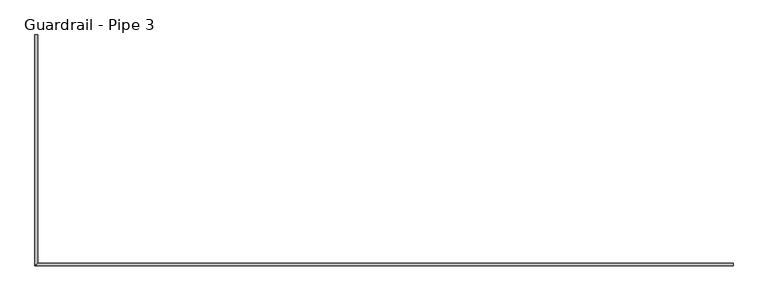
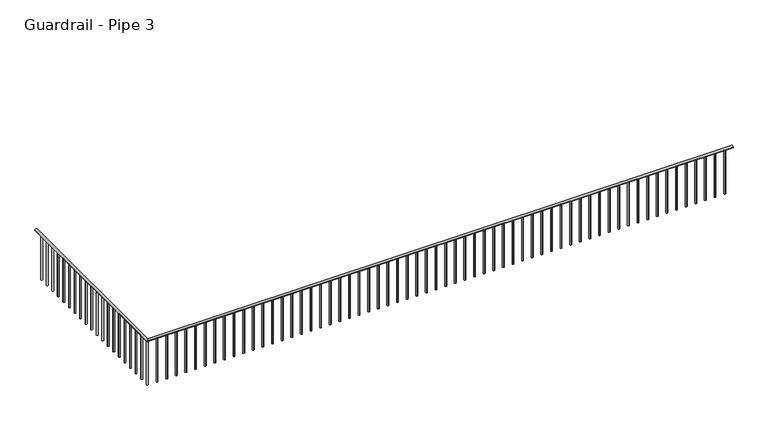
"""IFC4 building model written with IfcOpenShell, lengths in millimetres: railing geometry, Guardrail - Pipe 3."""

from ifc_helpers import new_model, si_unit, point, frame, frame_2d, origin, place, context, project, spatial, circle_curve, ellipse_curve, trimmed, segment, composite_curve, outline, extrude, source, transform, mapped, element, save
from ifc_brep_helpers import plane_surface, cylinder_surface, advanced_brep


def guardrail_pipe_3_85396fff(model_context):
    return source(origin(), model_context, "Body", "SolidModel", [
        advanced_brep(
        [(238718.223562, -501177.7127525, 5010.15), (238680.123562, -501177.7127525, 5010.15), (238718.223562, -504213.0127525, 5010.15), (238680.123562, -504251.1127525, 5010.15), (247966.998562, -504213.0127525, 5010.15), (247966.998562, -504251.1127525, 5010.15)],
        [
            (0, 1, circle_curve(frame((238699.173562, -501177.7127525, 5010.15), z_axis=(0.0, 1.0, 0.0), x_axis=(-1.0, 0.0, 0.0)), 19.05)),
            (1, 0, circle_curve(frame((238699.173562, -501177.7127525, 5010.15), z_axis=(0.0, 1.0, 0.0), x_axis=(-1.0, 0.0, 0.0)), 19.05)),
            (0, 2),
            (2, 3, ellipse_curve(frame((238699.173562, -504232.0627525, 5010.15), z_axis=(-0.7071067811865475, 0.7071067811865475, 0.0), x_axis=(0.7071067811865474, 0.7071067811865476, 0.0)), 26.9407684, 19.05)),
            (3, 1),
            (3, 2, ellipse_curve(frame((238699.173562, -504232.0627525, 5010.15), z_axis=(-0.7071067811865475, 0.7071067811865475, 0.0), x_axis=(0.7071067811865474, 0.7071067811865476, 0.0)), 26.9407684, 19.05)),
            (4, 5, circle_curve(frame((247966.998562, -504232.0627525, 5010.15), z_axis=(1.0, 0.0, 0.0), x_axis=(0.0, -1.0, 0.0)), 19.05)),
            (5, 4, circle_curve(frame((247966.998562, -504232.0627525, 5010.15), z_axis=(1.0, 0.0, 0.0), x_axis=(0.0, -1.0, 0.0)), 19.05)),
            (2, 4),
            (5, 3),
        ],
        [
            plane_surface(frame((238699.173562, -501177.7127525, 5029.2), z_axis=(0.0, 1.0, 0.0), x_axis=(0.0, 0.0, -1.0))),
            cylinder_surface(frame((238699.173562, -501177.7127525, 5010.15), z_axis=(0.0, 1.0, 0.0), x_axis=(-1.0, 0.0, 0.0)), 19.05),
            plane_surface(frame((247966.998562, -504232.0627525, 5029.2), z_axis=(1.0, 0.0, 0.0), x_axis=(0.0, 1.0, 0.0))),
            cylinder_surface(frame((238699.173562, -504232.0627525, 5010.15), z_axis=(-1.0, 0.0, 0.0), x_axis=(0.0, -1.0, 0.0)), 19.05),
        ],
        [
            (0, [[1, 2]]),
            (1, [[-1, 3, 4, 5]]),
            (1, [[-2, -5, 6, -3]]),
            (2, [[7, 8]]),
            (3, [[-4, 9, -8, 10]]),
            (3, [[-6, -10, -7, -9]]),
        ],
    ),
        extrude(outline(composite_curve([segment(trimmed(circle_curve(frame_2d((247843.173562, -504232.0627525)), 12.7), [point((247843.173562, -504219.3627525))], [point((247843.173562, -504244.7627525))], False, "CARTESIAN"), True, "CONTINUOUS"), segment(trimmed(circle_curve(frame_2d((247843.173562, -504232.0627525)), 12.7), [point((247843.173562, -504244.7627525))], [point((247843.173562, -504219.3627525))], False, "CARTESIAN"), True, "CONTINUOUS")], self_intersect=False)), frame((0.0, 0.0, 4267.2), z_axis=(0.0, 0.0, 1.0), x_axis=(1.0, 0.0, 0.0)), (0.0, 0.0, 1.0), 723.9),
        extrude(outline(composite_curve([segment(trimmed(circle_curve(frame_2d((247690.773562, -504232.0627525)), 12.7), [point((247690.773562, -504219.3627525))], [point((247690.773562, -504244.7627525))], False, "CARTESIAN"), True, "CONTINUOUS"), segment(trimmed(circle_curve(frame_2d((247690.773562, -504232.0627525)), 12.7), [point((247690.773562, -504244.7627525))], [point((247690.773562, -504219.3627525))], False, "CARTESIAN"), True, "CONTINUOUS")], self_intersect=False)), frame((0.0, 0.0, 4267.2), z_axis=(0.0, 0.0, 1.0), x_axis=(1.0, 0.0, 0.0)), (0.0, 0.0, 1.0), 723.9),
        extrude(outline(composite_curve([segment(trimmed(circle_curve(frame_2d((247538.373562, -504232.0627525)), 12.7), [point((247538.373562, -504219.3627525))], [point((247538.373562, -504244.7627525))], False, "CARTESIAN"), True, "CONTINUOUS"), segment(trimmed(circle_curve(frame_2d((247538.373562, -504232.0627525)), 12.7), [point((247538.373562, -504244.7627525))], [point((247538.373562, -504219.3627525))], False, "CARTESIAN"), True, "CONTINUOUS")], self_intersect=False)), frame((0.0, 0.0, 4267.2), z_axis=(0.0, 0.0, 1.0), x_axis=(1.0, 0.0, 0.0)), (0.0, 0.0, 1.0), 723.9),
        extrude(outline(composite_curve([segment(trimmed(circle_curve(frame_2d((247385.973562, -504232.0627525)), 12.7), [point((247385.973562, -504219.3627525))], [point((247385.973562, -504244.7627525))], False, "CARTESIAN"), True, "CONTINUOUS"), segment(trimmed(circle_curve(frame_2d((247385.973562, -504232.0627525)), 12.7), [point((247385.973562, -504244.7627525))], [point((247385.973562, -504219.3627525))], False, "CARTESIAN"), True, "CONTINUOUS")], self_intersect=False)), frame((0.0, 0.0, 4267.2), z_axis=(0.0, 0.0, 1.0), x_axis=(1.0, 0.0, 0.0)), (0.0, 0.0, 1.0), 723.9),
        extrude(outline(composite_curve([segment(trimmed(circle_curve(frame_2d((247233.573562, -504232.0627525)), 12.7), [point((247233.573562, -504219.3627525))], [point((247233.573562, -504244.7627525))], False, "CARTESIAN"), True, "CONTINUOUS"), segment(trimmed(circle_curve(frame_2d((247233.573562, -504232.0627525)), 12.7), [point((247233.573562, -504244.7627525))], [point((247233.573562, -504219.3627525))], False, "CARTESIAN"), True, "CONTINUOUS")], self_intersect=False)), frame((0.0, 0.0, 4267.2), z_axis=(0.0, 0.0, 1.0), x_axis=(1.0, 0.0, 0.0)), (0.0, 0.0, 1.0), 723.9),
        extrude(outline(composite_curve([segment(trimmed(circle_curve(frame_2d((247081.173562, -504232.0627525)), 12.7), [point((247081.173562, -504219.3627525))], [point((247081.173562, -504244.7627525))], False, "CARTESIAN"), True, "CONTINUOUS"), segment(trimmed(circle_curve(frame_2d((247081.173562, -504232.0627525)), 12.7), [point((247081.173562, -504244.7627525))], [point((247081.173562, -504219.3627525))], False, "CARTESIAN"), True, "CONTINUOUS")], self_intersect=False)), frame((0.0, 0.0, 4267.2), z_axis=(0.0, 0.0, 1.0), x_axis=(1.0, 0.0, 0.0)), (0.0, 0.0, 1.0), 723.9),
        extrude(outline(composite_curve([segment(trimmed(circle_curve(frame_2d((246928.773562, -504232.0627525)), 12.7), [point((246928.773562, -504219.3627525))], [point((246928.773562, -504244.7627525))], False, "CARTESIAN"), True, "CONTINUOUS"), segment(trimmed(circle_curve(frame_2d((246928.773562, -504232.0627525)), 12.7), [point((246928.773562, -504244.7627525))], [point((246928.773562, -504219.3627525))], False, "CARTESIAN"), True, "CONTINUOUS")], self_intersect=False)), frame((0.0, 0.0, 4267.2), z_axis=(0.0, 0.0, 1.0), x_axis=(1.0, 0.0, 0.0)), (0.0, 0.0, 1.0), 723.9),
        extrude(outline(composite_curve([segment(trimmed(circle_curve(frame_2d((246776.373562, -504232.0627525)), 12.7), [point((246776.373562, -504219.3627525))], [point((246776.373562, -504244.7627525))], False, "CARTESIAN"), True, "CONTINUOUS"), segment(trimmed(circle_curve(frame_2d((246776.373562, -504232.0627525)), 12.7), [point((246776.373562, -504244.7627525))], [point((246776.373562, -504219.3627525))], False, "CARTESIAN"), True, "CONTINUOUS")], self_intersect=False)), frame((0.0, 0.0, 4267.2), z_axis=(0.0, 0.0, 1.0), x_axis=(1.0, 0.0, 0.0)), (0.0, 0.0, 1.0), 723.9),
        extrude(outline(composite_curve([segment(trimmed(circle_curve(frame_2d((246623.973562, -504232.0627525)), 12.7), [point((246623.973562, -504219.3627525))], [point((246623.973562, -504244.7627525))], False, "CARTESIAN"), True, "CONTINUOUS"), segment(trimmed(circle_curve(frame_2d((246623.973562, -504232.0627525)), 12.7), [point((246623.973562, -504244.7627525))], [point((246623.973562, -504219.3627525))], False, "CARTESIAN"), True, "CONTINUOUS")], self_intersect=False)), frame((0.0, 0.0, 4267.2), z_axis=(0.0, 0.0, 1.0), x_axis=(1.0, 0.0, 0.0)), (0.0, 0.0, 1.0), 723.9),
        extrude(outline(composite_curve([segment(trimmed(circle_curve(frame_2d((246471.573562, -504232.0627525)), 12.7), [point((246471.573562, -504219.3627525))], [point((246471.573562, -504244.7627525))], False, "CARTESIAN"), True, "CONTINUOUS"), segment(trimmed(circle_curve(frame_2d((246471.573562, -504232.0627525)), 12.7), [point((246471.573562, -504244.7627525))], [point((246471.573562, -504219.3627525))], False, "CARTESIAN"), True, "CONTINUOUS")], self_intersect=False)), frame((0.0, 0.0, 4267.2), z_axis=(0.0, 0.0, 1.0), x_axis=(1.0, 0.0, 0.0)), (0.0, 0.0, 1.0), 723.9),
        extrude(outline(composite_curve([segment(trimmed(circle_curve(frame_2d((246319.173562, -504232.0627525)), 12.7), [point((246319.173562, -504219.3627525))], [point((246319.173562, -504244.7627525))], False, "CARTESIAN"), True, "CONTINUOUS"), segment(trimmed(circle_curve(frame_2d((246319.173562, -504232.0627525)), 12.7), [point((246319.173562, -504244.7627525))], [point((246319.173562, -504219.3627525))], False, "CARTESIAN"), True, "CONTINUOUS")], self_intersect=False)), frame((0.0, 0.0, 4267.2), z_axis=(0.0, 0.0, 1.0), x_axis=(1.0, 0.0, 0.0)), (0.0, 0.0, 1.0), 723.9),
        extrude(outline(composite_curve([segment(trimmed(circle_curve(frame_2d((246166.773562, -504232.0627525)), 12.7), [point((246166.773562, -504219.3627525))], [point((246166.773562, -504244.7627525))], False, "CARTESIAN"), True, "CONTINUOUS"), segment(trimmed(circle_curve(frame_2d((246166.773562, -504232.0627525)), 12.7), [point((246166.773562, -504244.7627525))], [point((246166.773562, -504219.3627525))], False, "CARTESIAN"), True, "CONTINUOUS")], self_intersect=False)), frame((0.0, 0.0, 4267.2), z_axis=(0.0, 0.0, 1.0), x_axis=(1.0, 0.0, 0.0)), (0.0, 0.0, 1.0), 723.9),
        extrude(outline(composite_curve([segment(trimmed(circle_curve(frame_2d((246014.373562, -504232.0627525)), 12.7), [point((246014.373562, -504219.3627525))], [point((246014.373562, -504244.7627525))], False, "CARTESIAN"), True, "CONTINUOUS"), segment(trimmed(circle_curve(frame_2d((246014.373562, -504232.0627525)), 12.7), [point((246014.373562, -504244.7627525))], [point((246014.373562, -504219.3627525))], False, "CARTESIAN"), True, "CONTINUOUS")], self_intersect=False)), frame((0.0, 0.0, 4267.2), z_axis=(0.0, 0.0, 1.0), x_axis=(1.0, 0.0, 0.0)), (0.0, 0.0, 1.0), 723.9),
        extrude(outline(composite_curve([segment(trimmed(circle_curve(frame_2d((245861.973562, -504232.0627525)), 12.7), [point((245861.973562, -504219.3627525))], [point((245861.973562, -504244.7627525))], False, "CARTESIAN"), True, "CONTINUOUS"), segment(trimmed(circle_curve(frame_2d((245861.973562, -504232.0627525)), 12.7), [point((245861.973562, -504244.7627525))], [point((245861.973562, -504219.3627525))], False, "CARTESIAN"), True, "CONTINUOUS")], self_intersect=False)), frame((0.0, 0.0, 4267.2), z_axis=(0.0, 0.0, 1.0), x_axis=(1.0, 0.0, 0.0)), (0.0, 0.0, 1.0), 723.9),
        extrude(outline(composite_curve([segment(trimmed(circle_curve(frame_2d((245709.573562, -504232.0627525)), 12.7), [point((245709.573562, -504219.3627525))], [point((245709.573562, -504244.7627525))], False, "CARTESIAN"), True, "CONTINUOUS"), segment(trimmed(circle_curve(frame_2d((245709.573562, -504232.0627525)), 12.7), [point((245709.573562, -504244.7627525))], [point((245709.573562, -504219.3627525))], False, "CARTESIAN"), True, "CONTINUOUS")], self_intersect=False)), frame((0.0, 0.0, 4267.2), z_axis=(0.0, 0.0, 1.0), x_axis=(1.0, 0.0, 0.0)), (0.0, 0.0, 1.0), 723.9),
        extrude(outline(composite_curve([segment(trimmed(circle_curve(frame_2d((245557.173562, -504232.0627525)), 12.7), [point((245557.173562, -504219.3627525))], [point((245557.173562, -504244.7627525))], False, "CARTESIAN"), True, "CONTINUOUS"), segment(trimmed(circle_curve(frame_2d((245557.173562, -504232.0627525)), 12.7), [point((245557.173562, -504244.7627525))], [point((245557.173562, -504219.3627525))], False, "CARTESIAN"), True, "CONTINUOUS")], self_intersect=False)), frame((0.0, 0.0, 4267.2), z_axis=(0.0, 0.0, 1.0), x_axis=(1.0, 0.0, 0.0)), (0.0, 0.0, 1.0), 723.9),
        extrude(outline(composite_curve([segment(trimmed(circle_curve(frame_2d((245404.773562, -504232.0627525)), 12.7), [point((245404.773562, -504219.3627525))], [point((245404.773562, -504244.7627525))], False, "CARTESIAN"), True, "CONTINUOUS"), segment(trimmed(circle_curve(frame_2d((245404.773562, -504232.0627525)), 12.7), [point((245404.773562, -504244.7627525))], [point((245404.773562, -504219.3627525))], False, "CARTESIAN"), True, "CONTINUOUS")], self_intersect=False)), frame((0.0, 0.0, 4267.2), z_axis=(0.0, 0.0, 1.0), x_axis=(1.0, 0.0, 0.0)), (0.0, 0.0, 1.0), 723.9),
        extrude(outline(composite_curve([segment(trimmed(circle_curve(frame_2d((245252.373562, -504232.0627525)), 12.7), [point((245252.373562, -504219.3627525))], [point((245252.373562, -504244.7627525))], False, "CARTESIAN"), True, "CONTINUOUS"), segment(trimmed(circle_curve(frame_2d((245252.373562, -504232.0627525)), 12.7), [point((245252.373562, -504244.7627525))], [point((245252.373562, -504219.3627525))], False, "CARTESIAN"), True, "CONTINUOUS")], self_intersect=False)), frame((0.0, 0.0, 4267.2), z_axis=(0.0, 0.0, 1.0), x_axis=(1.0, 0.0, 0.0)), (0.0, 0.0, 1.0), 723.9),
        extrude(outline(composite_curve([segment(trimmed(circle_curve(frame_2d((245099.973562, -504232.0627525)), 12.7), [point((245099.973562, -504219.3627525))], [point((245099.973562, -504244.7627525))], False, "CARTESIAN"), True, "CONTINUOUS"), segment(trimmed(circle_curve(frame_2d((245099.973562, -504232.0627525)), 12.7), [point((245099.973562, -504244.7627525))], [point((245099.973562, -504219.3627525))], False, "CARTESIAN"), True, "CONTINUOUS")], self_intersect=False)), frame((0.0, 0.0, 4267.2), z_axis=(0.0, 0.0, 1.0), x_axis=(1.0, 0.0, 0.0)), (0.0, 0.0, 1.0), 723.9),
        extrude(outline(composite_curve([segment(trimmed(circle_curve(frame_2d((244947.573562, -504232.0627525)), 12.7), [point((244947.573562, -504219.3627525))], [point((244947.573562, -504244.7627525))], False, "CARTESIAN"), True, "CONTINUOUS"), segment(trimmed(circle_curve(frame_2d((244947.573562, -504232.0627525)), 12.7), [point((244947.573562, -504244.7627525))], [point((244947.573562, -504219.3627525))], False, "CARTESIAN"), True, "CONTINUOUS")], self_intersect=False)), frame((0.0, 0.0, 4267.2), z_axis=(0.0, 0.0, 1.0), x_axis=(1.0, 0.0, 0.0)), (0.0, 0.0, 1.0), 723.9),
        extrude(outline(composite_curve([segment(trimmed(circle_curve(frame_2d((244795.173562, -504232.0627525)), 12.7), [point((244795.173562, -504219.3627525))], [point((244795.173562, -504244.7627525))], False, "CARTESIAN"), True, "CONTINUOUS"), segment(trimmed(circle_curve(frame_2d((244795.173562, -504232.0627525)), 12.7), [point((244795.173562, -504244.7627525))], [point((244795.173562, -504219.3627525))], False, "CARTESIAN"), True, "CONTINUOUS")], self_intersect=False)), frame((0.0, 0.0, 4267.2), z_axis=(0.0, 0.0, 1.0), x_axis=(1.0, 0.0, 0.0)), (0.0, 0.0, 1.0), 723.9),
        extrude(outline(composite_curve([segment(trimmed(circle_curve(frame_2d((244642.773562, -504232.0627525)), 12.7), [point((244642.773562, -504219.3627525))], [point((244642.773562, -504244.7627525))], False, "CARTESIAN"), True, "CONTINUOUS"), segment(trimmed(circle_curve(frame_2d((244642.773562, -504232.0627525)), 12.7), [point((244642.773562, -504244.7627525))], [point((244642.773562, -504219.3627525))], False, "CARTESIAN"), True, "CONTINUOUS")], self_intersect=False)), frame((0.0, 0.0, 4267.2), z_axis=(0.0, 0.0, 1.0), x_axis=(1.0, 0.0, 0.0)), (0.0, 0.0, 1.0), 723.9),
        extrude(outline(composite_curve([segment(trimmed(circle_curve(frame_2d((244490.373562, -504232.0627525)), 12.7), [point((244490.373562, -504219.3627525))], [point((244490.373562, -504244.7627525))], False, "CARTESIAN"), True, "CONTINUOUS"), segment(trimmed(circle_curve(frame_2d((244490.373562, -504232.0627525)), 12.7), [point((244490.373562, -504244.7627525))], [point((244490.373562, -504219.3627525))], False, "CARTESIAN"), True, "CONTINUOUS")], self_intersect=False)), frame((0.0, 0.0, 4267.2), z_axis=(0.0, 0.0, 1.0), x_axis=(1.0, 0.0, 0.0)), (0.0, 0.0, 1.0), 723.9),
        extrude(outline(composite_curve([segment(trimmed(circle_curve(frame_2d((244337.973562, -504232.0627525)), 12.7), [point((244337.973562, -504219.3627525))], [point((244337.973562, -504244.7627525))], False, "CARTESIAN"), True, "CONTINUOUS"), segment(trimmed(circle_curve(frame_2d((244337.973562, -504232.0627525)), 12.7), [point((244337.973562, -504244.7627525))], [point((244337.973562, -504219.3627525))], False, "CARTESIAN"), True, "CONTINUOUS")], self_intersect=False)), frame((0.0, 0.0, 4267.2), z_axis=(0.0, 0.0, 1.0), x_axis=(1.0, 0.0, 0.0)), (0.0, 0.0, 1.0), 723.9),
        extrude(outline(composite_curve([segment(trimmed(circle_curve(frame_2d((244185.573562, -504232.0627525)), 12.7), [point((244185.573562, -504219.3627525))], [point((244185.573562, -504244.7627525))], False, "CARTESIAN"), True, "CONTINUOUS"), segment(trimmed(circle_curve(frame_2d((244185.573562, -504232.0627525)), 12.7), [point((244185.573562, -504244.7627525))], [point((244185.573562, -504219.3627525))], False, "CARTESIAN"), True, "CONTINUOUS")], self_intersect=False)), frame((0.0, 0.0, 4267.2), z_axis=(0.0, 0.0, 1.0), x_axis=(1.0, 0.0, 0.0)), (0.0, 0.0, 1.0), 723.9),
        extrude(outline(composite_curve([segment(trimmed(circle_curve(frame_2d((244033.173562, -504232.0627525)), 12.7), [point((244033.173562, -504219.3627525))], [point((244033.173562, -504244.7627525))], False, "CARTESIAN"), True, "CONTINUOUS"), segment(trimmed(circle_curve(frame_2d((244033.173562, -504232.0627525)), 12.7), [point((244033.173562, -504244.7627525))], [point((244033.173562, -504219.3627525))], False, "CARTESIAN"), True, "CONTINUOUS")], self_intersect=False)), frame((0.0, 0.0, 4267.2), z_axis=(0.0, 0.0, 1.0), x_axis=(1.0, 0.0, 0.0)), (0.0, 0.0, 1.0), 723.9),
        extrude(outline(composite_curve([segment(trimmed(circle_curve(frame_2d((243880.773562, -504232.0627525)), 12.7), [point((243880.773562, -504219.3627525))], [point((243880.773562, -504244.7627525))], False, "CARTESIAN"), True, "CONTINUOUS"), segment(trimmed(circle_curve(frame_2d((243880.773562, -504232.0627525)), 12.7), [point((243880.773562, -504244.7627525))], [point((243880.773562, -504219.3627525))], False, "CARTESIAN"), True, "CONTINUOUS")], self_intersect=False)), frame((0.0, 0.0, 4267.2), z_axis=(0.0, 0.0, 1.0), x_axis=(1.0, 0.0, 0.0)), (0.0, 0.0, 1.0), 723.9),
        extrude(outline(composite_curve([segment(trimmed(circle_curve(frame_2d((243728.373562, -504232.0627525)), 12.7), [point((243728.373562, -504219.3627525))], [point((243728.373562, -504244.7627525))], False, "CARTESIAN"), True, "CONTINUOUS"), segment(trimmed(circle_curve(frame_2d((243728.373562, -504232.0627525)), 12.7), [point((243728.373562, -504244.7627525))], [point((243728.373562, -504219.3627525))], False, "CARTESIAN"), True, "CONTINUOUS")], self_intersect=False)), frame((0.0, 0.0, 4267.2), z_axis=(0.0, 0.0, 1.0), x_axis=(1.0, 0.0, 0.0)), (0.0, 0.0, 1.0), 723.9),
        extrude(outline(composite_curve([segment(trimmed(circle_curve(frame_2d((243575.973562, -504232.0627525)), 12.7), [point((243575.973562, -504219.3627525))], [point((243575.973562, -504244.7627525))], False, "CARTESIAN"), True, "CONTINUOUS"), segment(trimmed(circle_curve(frame_2d((243575.973562, -504232.0627525)), 12.7), [point((243575.973562, -504244.7627525))], [point((243575.973562, -504219.3627525))], False, "CARTESIAN"), True, "CONTINUOUS")], self_intersect=False)), frame((0.0, 0.0, 4267.2), z_axis=(0.0, 0.0, 1.0), x_axis=(1.0, 0.0, 0.0)), (0.0, 0.0, 1.0), 723.9),
        extrude(outline(composite_curve([segment(trimmed(circle_curve(frame_2d((243423.573562, -504232.0627525)), 12.7), [point((243423.573562, -504219.3627525))], [point((243423.573562, -504244.7627525))], False, "CARTESIAN"), True, "CONTINUOUS"), segment(trimmed(circle_curve(frame_2d((243423.573562, -504232.0627525)), 12.7), [point((243423.573562, -504244.7627525))], [point((243423.573562, -504219.3627525))], False, "CARTESIAN"), True, "CONTINUOUS")], self_intersect=False)), frame((0.0, 0.0, 4267.2), z_axis=(0.0, 0.0, 1.0), x_axis=(1.0, 0.0, 0.0)), (0.0, 0.0, 1.0), 723.9),
        extrude(outline(composite_curve([segment(trimmed(circle_curve(frame_2d((243271.173562, -504232.0627525)), 12.7), [point((243271.173562, -504219.3627525))], [point((243271.173562, -504244.7627525))], False, "CARTESIAN"), True, "CONTINUOUS"), segment(trimmed(circle_curve(frame_2d((243271.173562, -504232.0627525)), 12.7), [point((243271.173562, -504244.7627525))], [point((243271.173562, -504219.3627525))], False, "CARTESIAN"), True, "CONTINUOUS")], self_intersect=False)), frame((0.0, 0.0, 4267.2), z_axis=(0.0, 0.0, 1.0), x_axis=(1.0, 0.0, 0.0)), (0.0, 0.0, 1.0), 723.9),
        extrude(outline(composite_curve([segment(trimmed(circle_curve(frame_2d((243118.773562, -504232.0627525)), 12.7), [point((243118.773562, -504219.3627525))], [point((243118.773562, -504244.7627525))], False, "CARTESIAN"), True, "CONTINUOUS"), segment(trimmed(circle_curve(frame_2d((243118.773562, -504232.0627525)), 12.7), [point((243118.773562, -504244.7627525))], [point((243118.773562, -504219.3627525))], False, "CARTESIAN"), True, "CONTINUOUS")], self_intersect=False)), frame((0.0, 0.0, 4267.2), z_axis=(0.0, 0.0, 1.0), x_axis=(1.0, 0.0, 0.0)), (0.0, 0.0, 1.0), 723.9),
        extrude(outline(composite_curve([segment(trimmed(circle_curve(frame_2d((242966.373562, -504232.0627525)), 12.7), [point((242966.373562, -504219.3627525))], [point((242966.373562, -504244.7627525))], False, "CARTESIAN"), True, "CONTINUOUS"), segment(trimmed(circle_curve(frame_2d((242966.373562, -504232.0627525)), 12.7), [point((242966.373562, -504244.7627525))], [point((242966.373562, -504219.3627525))], False, "CARTESIAN"), True, "CONTINUOUS")], self_intersect=False)), frame((0.0, 0.0, 4267.2), z_axis=(0.0, 0.0, 1.0), x_axis=(1.0, 0.0, 0.0)), (0.0, 0.0, 1.0), 723.9),
        extrude(outline(composite_curve([segment(trimmed(circle_curve(frame_2d((242813.973562, -504232.0627525)), 12.7), [point((242813.973562, -504219.3627525))], [point((242813.973562, -504244.7627525))], False, "CARTESIAN"), True, "CONTINUOUS"), segment(trimmed(circle_curve(frame_2d((242813.973562, -504232.0627525)), 12.7), [point((242813.973562, -504244.7627525))], [point((242813.973562, -504219.3627525))], False, "CARTESIAN"), True, "CONTINUOUS")], self_intersect=False)), frame((0.0, 0.0, 4267.2), z_axis=(0.0, 0.0, 1.0), x_axis=(1.0, 0.0, 0.0)), (0.0, 0.0, 1.0), 723.9),
        extrude(outline(composite_curve([segment(trimmed(circle_curve(frame_2d((242661.573562, -504232.0627525)), 12.7), [point((242661.573562, -504219.3627525))], [point((242661.573562, -504244.7627525))], False, "CARTESIAN"), True, "CONTINUOUS"), segment(trimmed(circle_curve(frame_2d((242661.573562, -504232.0627525)), 12.7), [point((242661.573562, -504244.7627525))], [point((242661.573562, -504219.3627525))], False, "CARTESIAN"), True, "CONTINUOUS")], self_intersect=False)), frame((0.0, 0.0, 4267.2), z_axis=(0.0, 0.0, 1.0), x_axis=(1.0, 0.0, 0.0)), (0.0, 0.0, 1.0), 723.9),
        extrude(outline(composite_curve([segment(trimmed(circle_curve(frame_2d((242509.173562, -504232.0627525)), 12.7), [point((242509.173562, -504219.3627525))], [point((242509.173562, -504244.7627525))], False, "CARTESIAN"), True, "CONTINUOUS"), segment(trimmed(circle_curve(frame_2d((242509.173562, -504232.0627525)), 12.7), [point((242509.173562, -504244.7627525))], [point((242509.173562, -504219.3627525))], False, "CARTESIAN"), True, "CONTINUOUS")], self_intersect=False)), frame((0.0, 0.0, 4267.2), z_axis=(0.0, 0.0, 1.0), x_axis=(1.0, 0.0, 0.0)), (0.0, 0.0, 1.0), 723.9),
        extrude(outline(composite_curve([segment(trimmed(circle_curve(frame_2d((242356.773562, -504232.0627525)), 12.7), [point((242356.773562, -504219.3627525))], [point((242356.773562, -504244.7627525))], False, "CARTESIAN"), True, "CONTINUOUS"), segment(trimmed(circle_curve(frame_2d((242356.773562, -504232.0627525)), 12.7), [point((242356.773562, -504244.7627525))], [point((242356.773562, -504219.3627525))], False, "CARTESIAN"), True, "CONTINUOUS")], self_intersect=False)), frame((0.0, 0.0, 4267.2), z_axis=(0.0, 0.0, 1.0), x_axis=(1.0, 0.0, 0.0)), (0.0, 0.0, 1.0), 723.9),
        extrude(outline(composite_curve([segment(trimmed(circle_curve(frame_2d((242204.373562, -504232.0627525)), 12.7), [point((242204.373562, -504219.3627525))], [point((242204.373562, -504244.7627525))], False, "CARTESIAN"), True, "CONTINUOUS"), segment(trimmed(circle_curve(frame_2d((242204.373562, -504232.0627525)), 12.7), [point((242204.373562, -504244.7627525))], [point((242204.373562, -504219.3627525))], False, "CARTESIAN"), True, "CONTINUOUS")], self_intersect=False)), frame((0.0, 0.0, 4267.2), z_axis=(0.0, 0.0, 1.0), x_axis=(1.0, 0.0, 0.0)), (0.0, 0.0, 1.0), 723.9),
        extrude(outline(composite_curve([segment(trimmed(circle_curve(frame_2d((242051.973562, -504232.0627525)), 12.7), [point((242051.973562, -504219.3627525))], [point((242051.973562, -504244.7627525))], False, "CARTESIAN"), True, "CONTINUOUS"), segment(trimmed(circle_curve(frame_2d((242051.973562, -504232.0627525)), 12.7), [point((242051.973562, -504244.7627525))], [point((242051.973562, -504219.3627525))], False, "CARTESIAN"), True, "CONTINUOUS")], self_intersect=False)), frame((0.0, 0.0, 4267.2), z_axis=(0.0, 0.0, 1.0), x_axis=(1.0, 0.0, 0.0)), (0.0, 0.0, 1.0), 723.9),
        extrude(outline(composite_curve([segment(trimmed(circle_curve(frame_2d((241899.573562, -504232.0627525)), 12.7), [point((241899.573562, -504219.3627525))], [point((241899.573562, -504244.7627525))], False, "CARTESIAN"), True, "CONTINUOUS"), segment(trimmed(circle_curve(frame_2d((241899.573562, -504232.0627525)), 12.7), [point((241899.573562, -504244.7627525))], [point((241899.573562, -504219.3627525))], False, "CARTESIAN"), True, "CONTINUOUS")], self_intersect=False)), frame((0.0, 0.0, 4267.2), z_axis=(0.0, 0.0, 1.0), x_axis=(1.0, 0.0, 0.0)), (0.0, 0.0, 1.0), 723.9),
        extrude(outline(composite_curve([segment(trimmed(circle_curve(frame_2d((241747.173562, -504232.0627525)), 12.7), [point((241747.173562, -504219.3627525))], [point((241747.173562, -504244.7627525))], False, "CARTESIAN"), True, "CONTINUOUS"), segment(trimmed(circle_curve(frame_2d((241747.173562, -504232.0627525)), 12.7), [point((241747.173562, -504244.7627525))], [point((241747.173562, -504219.3627525))], False, "CARTESIAN"), True, "CONTINUOUS")], self_intersect=False)), frame((0.0, 0.0, 4267.2), z_axis=(0.0, 0.0, 1.0), x_axis=(1.0, 0.0, 0.0)), (0.0, 0.0, 1.0), 723.9),
        extrude(outline(composite_curve([segment(trimmed(circle_curve(frame_2d((241594.773562, -504232.0627525)), 12.7), [point((241594.773562, -504219.3627525))], [point((241594.773562, -504244.7627525))], False, "CARTESIAN"), True, "CONTINUOUS"), segment(trimmed(circle_curve(frame_2d((241594.773562, -504232.0627525)), 12.7), [point((241594.773562, -504244.7627525))], [point((241594.773562, -504219.3627525))], False, "CARTESIAN"), True, "CONTINUOUS")], self_intersect=False)), frame((0.0, 0.0, 4267.2), z_axis=(0.0, 0.0, 1.0), x_axis=(1.0, 0.0, 0.0)), (0.0, 0.0, 1.0), 723.9),
        extrude(outline(composite_curve([segment(trimmed(circle_curve(frame_2d((241442.373562, -504232.0627525)), 12.7), [point((241442.373562, -504219.3627525))], [point((241442.373562, -504244.7627525))], False, "CARTESIAN"), True, "CONTINUOUS"), segment(trimmed(circle_curve(frame_2d((241442.373562, -504232.0627525)), 12.7), [point((241442.373562, -504244.7627525))], [point((241442.373562, -504219.3627525))], False, "CARTESIAN"), True, "CONTINUOUS")], self_intersect=False)), frame((0.0, 0.0, 4267.2), z_axis=(0.0, 0.0, 1.0), x_axis=(1.0, 0.0, 0.0)), (0.0, 0.0, 1.0), 723.9),
        extrude(outline(composite_curve([segment(trimmed(circle_curve(frame_2d((241289.973562, -504232.0627525)), 12.7), [point((241289.973562, -504219.3627525))], [point((241289.973562, -504244.7627525))], False, "CARTESIAN"), True, "CONTINUOUS"), segment(trimmed(circle_curve(frame_2d((241289.973562, -504232.0627525)), 12.7), [point((241289.973562, -504244.7627525))], [point((241289.973562, -504219.3627525))], False, "CARTESIAN"), True, "CONTINUOUS")], self_intersect=False)), frame((0.0, 0.0, 4267.2), z_axis=(0.0, 0.0, 1.0), x_axis=(1.0, 0.0, 0.0)), (0.0, 0.0, 1.0), 723.9),
        extrude(outline(composite_curve([segment(trimmed(circle_curve(frame_2d((241137.573562, -504232.0627525)), 12.7), [point((241137.573562, -504219.3627525))], [point((241137.573562, -504244.7627525))], False, "CARTESIAN"), True, "CONTINUOUS"), segment(trimmed(circle_curve(frame_2d((241137.573562, -504232.0627525)), 12.7), [point((241137.573562, -504244.7627525))], [point((241137.573562, -504219.3627525))], False, "CARTESIAN"), True, "CONTINUOUS")], self_intersect=False)), frame((0.0, 0.0, 4267.2), z_axis=(0.0, 0.0, 1.0), x_axis=(1.0, 0.0, 0.0)), (0.0, 0.0, 1.0), 723.9),
        extrude(outline(composite_curve([segment(trimmed(circle_curve(frame_2d((240985.173562, -504232.0627525)), 12.7), [point((240985.173562, -504219.3627525))], [point((240985.173562, -504244.7627525))], False, "CARTESIAN"), True, "CONTINUOUS"), segment(trimmed(circle_curve(frame_2d((240985.173562, -504232.0627525)), 12.7), [point((240985.173562, -504244.7627525))], [point((240985.173562, -504219.3627525))], False, "CARTESIAN"), True, "CONTINUOUS")], self_intersect=False)), frame((0.0, 0.0, 4267.2), z_axis=(0.0, 0.0, 1.0), x_axis=(1.0, 0.0, 0.0)), (0.0, 0.0, 1.0), 723.9),
        extrude(outline(composite_curve([segment(trimmed(circle_curve(frame_2d((240832.773562, -504232.0627525)), 12.7), [point((240832.773562, -504219.3627525))], [point((240832.773562, -504244.7627525))], False, "CARTESIAN"), True, "CONTINUOUS"), segment(trimmed(circle_curve(frame_2d((240832.773562, -504232.0627525)), 12.7), [point((240832.773562, -504244.7627525))], [point((240832.773562, -504219.3627525))], False, "CARTESIAN"), True, "CONTINUOUS")], self_intersect=False)), frame((0.0, 0.0, 4267.2), z_axis=(0.0, 0.0, 1.0), x_axis=(1.0, 0.0, 0.0)), (0.0, 0.0, 1.0), 723.9),
        extrude(outline(composite_curve([segment(trimmed(circle_curve(frame_2d((240680.373562, -504232.0627525)), 12.7), [point((240680.373562, -504219.3627525))], [point((240680.373562, -504244.7627525))], False, "CARTESIAN"), True, "CONTINUOUS"), segment(trimmed(circle_curve(frame_2d((240680.373562, -504232.0627525)), 12.7), [point((240680.373562, -504244.7627525))], [point((240680.373562, -504219.3627525))], False, "CARTESIAN"), True, "CONTINUOUS")], self_intersect=False)), frame((0.0, 0.0, 4267.2), z_axis=(0.0, 0.0, 1.0), x_axis=(1.0, 0.0, 0.0)), (0.0, 0.0, 1.0), 723.9),
        extrude(outline(composite_curve([segment(trimmed(circle_curve(frame_2d((240527.973562, -504232.0627525)), 12.7), [point((240527.973562, -504219.3627525))], [point((240527.973562, -504244.7627525))], False, "CARTESIAN"), True, "CONTINUOUS"), segment(trimmed(circle_curve(frame_2d((240527.973562, -504232.0627525)), 12.7), [point((240527.973562, -504244.7627525))], [point((240527.973562, -504219.3627525))], False, "CARTESIAN"), True, "CONTINUOUS")], self_intersect=False)), frame((0.0, 0.0, 4267.2), z_axis=(0.0, 0.0, 1.0), x_axis=(1.0, 0.0, 0.0)), (0.0, 0.0, 1.0), 723.9),
        extrude(outline(composite_curve([segment(trimmed(circle_curve(frame_2d((240375.573562, -504232.0627525)), 12.7), [point((240375.573562, -504219.3627525))], [point((240375.573562, -504244.7627525))], False, "CARTESIAN"), True, "CONTINUOUS"), segment(trimmed(circle_curve(frame_2d((240375.573562, -504232.0627525)), 12.7), [point((240375.573562, -504244.7627525))], [point((240375.573562, -504219.3627525))], False, "CARTESIAN"), True, "CONTINUOUS")], self_intersect=False)), frame((0.0, 0.0, 4267.2), z_axis=(0.0, 0.0, 1.0), x_axis=(1.0, 0.0, 0.0)), (0.0, 0.0, 1.0), 723.9),
        extrude(outline(composite_curve([segment(trimmed(circle_curve(frame_2d((240223.173562, -504232.0627525)), 12.7), [point((240223.173562, -504219.3627525))], [point((240223.173562, -504244.7627525))], False, "CARTESIAN"), True, "CONTINUOUS"), segment(trimmed(circle_curve(frame_2d((240223.173562, -504232.0627525)), 12.7), [point((240223.173562, -504244.7627525))], [point((240223.173562, -504219.3627525))], False, "CARTESIAN"), True, "CONTINUOUS")], self_intersect=False)), frame((0.0, 0.0, 4267.2), z_axis=(0.0, 0.0, 1.0), x_axis=(1.0, 0.0, 0.0)), (0.0, 0.0, 1.0), 723.9),
        extrude(outline(composite_curve([segment(trimmed(circle_curve(frame_2d((240070.773562, -504232.0627525)), 12.7), [point((240070.773562, -504219.3627525))], [point((240070.773562, -504244.7627525))], False, "CARTESIAN"), True, "CONTINUOUS"), segment(trimmed(circle_curve(frame_2d((240070.773562, -504232.0627525)), 12.7), [point((240070.773562, -504244.7627525))], [point((240070.773562, -504219.3627525))], False, "CARTESIAN"), True, "CONTINUOUS")], self_intersect=False)), frame((0.0, 0.0, 4267.2), z_axis=(0.0, 0.0, 1.0), x_axis=(1.0, 0.0, 0.0)), (0.0, 0.0, 1.0), 723.9),
        extrude(outline(composite_curve([segment(trimmed(circle_curve(frame_2d((239918.373562, -504232.0627525)), 12.7), [point((239918.373562, -504219.3627525))], [point((239918.373562, -504244.7627525))], False, "CARTESIAN"), True, "CONTINUOUS"), segment(trimmed(circle_curve(frame_2d((239918.373562, -504232.0627525)), 12.7), [point((239918.373562, -504244.7627525))], [point((239918.373562, -504219.3627525))], False, "CARTESIAN"), True, "CONTINUOUS")], self_intersect=False)), frame((0.0, 0.0, 4267.2), z_axis=(0.0, 0.0, 1.0), x_axis=(1.0, 0.0, 0.0)), (0.0, 0.0, 1.0), 723.9),
        extrude(outline(composite_curve([segment(trimmed(circle_curve(frame_2d((239765.973562, -504232.0627525)), 12.7), [point((239765.973562, -504219.3627525))], [point((239765.973562, -504244.7627525))], False, "CARTESIAN"), True, "CONTINUOUS"), segment(trimmed(circle_curve(frame_2d((239765.973562, -504232.0627525)), 12.7), [point((239765.973562, -504244.7627525))], [point((239765.973562, -504219.3627525))], False, "CARTESIAN"), True, "CONTINUOUS")], self_intersect=False)), frame((0.0, 0.0, 4267.2), z_axis=(0.0, 0.0, 1.0), x_axis=(1.0, 0.0, 0.0)), (0.0, 0.0, 1.0), 723.9),
        extrude(outline(composite_curve([segment(trimmed(circle_curve(frame_2d((239613.573562, -504232.0627525)), 12.7), [point((239613.573562, -504219.3627525))], [point((239613.573562, -504244.7627525))], False, "CARTESIAN"), True, "CONTINUOUS"), segment(trimmed(circle_curve(frame_2d((239613.573562, -504232.0627525)), 12.7), [point((239613.573562, -504244.7627525))], [point((239613.573562, -504219.3627525))], False, "CARTESIAN"), True, "CONTINUOUS")], self_intersect=False)), frame((0.0, 0.0, 4267.2), z_axis=(0.0, 0.0, 1.0), x_axis=(1.0, 0.0, 0.0)), (0.0, 0.0, 1.0), 723.9),
        extrude(outline(composite_curve([segment(trimmed(circle_curve(frame_2d((239461.173562, -504232.0627525)), 12.7), [point((239461.173562, -504219.3627525))], [point((239461.173562, -504244.7627525))], False, "CARTESIAN"), True, "CONTINUOUS"), segment(trimmed(circle_curve(frame_2d((239461.173562, -504232.0627525)), 12.7), [point((239461.173562, -504244.7627525))], [point((239461.173562, -504219.3627525))], False, "CARTESIAN"), True, "CONTINUOUS")], self_intersect=False)), frame((0.0, 0.0, 4267.2), z_axis=(0.0, 0.0, 1.0), x_axis=(1.0, 0.0, 0.0)), (0.0, 0.0, 1.0), 723.9),
        extrude(outline(composite_curve([segment(trimmed(circle_curve(frame_2d((239308.773562, -504232.0627525)), 12.7), [point((239308.773562, -504219.3627525))], [point((239308.773562, -504244.7627525))], False, "CARTESIAN"), True, "CONTINUOUS"), segment(trimmed(circle_curve(frame_2d((239308.773562, -504232.0627525)), 12.7), [point((239308.773562, -504244.7627525))], [point((239308.773562, -504219.3627525))], False, "CARTESIAN"), True, "CONTINUOUS")], self_intersect=False)), frame((0.0, 0.0, 4267.2), z_axis=(0.0, 0.0, 1.0), x_axis=(1.0, 0.0, 0.0)), (0.0, 0.0, 1.0), 723.9),
        extrude(outline(composite_curve([segment(trimmed(circle_curve(frame_2d((239156.373562, -504232.0627525)), 12.7), [point((239156.373562, -504219.3627525))], [point((239156.373562, -504244.7627525))], False, "CARTESIAN"), True, "CONTINUOUS"), segment(trimmed(circle_curve(frame_2d((239156.373562, -504232.0627525)), 12.7), [point((239156.373562, -504244.7627525))], [point((239156.373562, -504219.3627525))], False, "CARTESIAN"), True, "CONTINUOUS")], self_intersect=False)), frame((0.0, 0.0, 4267.2), z_axis=(0.0, 0.0, 1.0), x_axis=(1.0, 0.0, 0.0)), (0.0, 0.0, 1.0), 723.9),
        extrude(outline(composite_curve([segment(trimmed(circle_curve(frame_2d((239003.973562, -504232.0627525)), 12.7), [point((239003.973562, -504219.3627525))], [point((239003.973562, -504244.7627525))], False, "CARTESIAN"), True, "CONTINUOUS"), segment(trimmed(circle_curve(frame_2d((239003.973562, -504232.0627525)), 12.7), [point((239003.973562, -504244.7627525))], [point((239003.973562, -504219.3627525))], False, "CARTESIAN"), True, "CONTINUOUS")], self_intersect=False)), frame((0.0, 0.0, 4267.2), z_axis=(0.0, 0.0, 1.0), x_axis=(1.0, 0.0, 0.0)), (0.0, 0.0, 1.0), 723.9),
        extrude(outline(composite_curve([segment(trimmed(circle_curve(frame_2d((238851.573562, -504232.0627525)), 12.7), [point((238851.573562, -504219.3627525))], [point((238851.573562, -504244.7627525))], False, "CARTESIAN"), True, "CONTINUOUS"), segment(trimmed(circle_curve(frame_2d((238851.573562, -504232.0627525)), 12.7), [point((238851.573562, -504244.7627525))], [point((238851.573562, -504219.3627525))], False, "CARTESIAN"), True, "CONTINUOUS")], self_intersect=False)), frame((0.0, 0.0, 4267.2), z_axis=(0.0, 0.0, 1.0), x_axis=(1.0, 0.0, 0.0)), (0.0, 0.0, 1.0), 723.9),
        extrude(outline(composite_curve([segment(trimmed(circle_curve(frame_2d((238699.173562, -504225.7127525)), 12.7), [point((238711.873562, -504225.7127525))], [point((238686.473562, -504225.7127525))], False, "CARTESIAN"), True, "CONTINUOUS"), segment(trimmed(circle_curve(frame_2d((238699.173562, -504225.7127525)), 12.7), [point((238686.473562, -504225.7127525))], [point((238711.873562, -504225.7127525))], False, "CARTESIAN"), True, "CONTINUOUS")], self_intersect=False)), frame((0.0, 0.0, 4267.2), z_axis=(0.0, 0.0, 1.0), x_axis=(1.0, 0.0, 0.0)), (0.0, 0.0, 1.0), 723.9),
        extrude(outline(composite_curve([segment(trimmed(circle_curve(frame_2d((238699.173562, -504073.3127525)), 12.7), [point((238711.873562, -504073.3127525))], [point((238686.473562, -504073.3127525))], False, "CARTESIAN"), True, "CONTINUOUS"), segment(trimmed(circle_curve(frame_2d((238699.173562, -504073.3127525)), 12.7), [point((238686.473562, -504073.3127525))], [point((238711.873562, -504073.3127525))], False, "CARTESIAN"), True, "CONTINUOUS")], self_intersect=False)), frame((0.0, 0.0, 4267.2), z_axis=(0.0, 0.0, 1.0), x_axis=(1.0, 0.0, 0.0)), (0.0, 0.0, 1.0), 723.9),
        extrude(outline(composite_curve([segment(trimmed(circle_curve(frame_2d((238699.173562, -503920.9127525)), 12.7), [point((238711.873562, -503920.9127525))], [point((238686.473562, -503920.9127525))], False, "CARTESIAN"), True, "CONTINUOUS"), segment(trimmed(circle_curve(frame_2d((238699.173562, -503920.9127525)), 12.7), [point((238686.473562, -503920.9127525))], [point((238711.873562, -503920.9127525))], False, "CARTESIAN"), True, "CONTINUOUS")], self_intersect=False)), frame((0.0, 0.0, 4267.2), z_axis=(0.0, 0.0, 1.0), x_axis=(1.0, 0.0, 0.0)), (0.0, 0.0, 1.0), 723.9),
        extrude(outline(composite_curve([segment(trimmed(circle_curve(frame_2d((238699.173562, -503768.5127525)), 12.7), [point((238711.873562, -503768.5127525))], [point((238686.473562, -503768.5127525))], False, "CARTESIAN"), True, "CONTINUOUS"), segment(trimmed(circle_curve(frame_2d((238699.173562, -503768.5127525)), 12.7), [point((238686.473562, -503768.5127525))], [point((238711.873562, -503768.5127525))], False, "CARTESIAN"), True, "CONTINUOUS")], self_intersect=False)), frame((0.0, 0.0, 4267.2), z_axis=(0.0, 0.0, 1.0), x_axis=(1.0, 0.0, 0.0)), (0.0, 0.0, 1.0), 723.9),
        extrude(outline(composite_curve([segment(trimmed(circle_curve(frame_2d((238699.173562, -503616.1127525)), 12.7), [point((238711.873562, -503616.1127525))], [point((238686.473562, -503616.1127525))], False, "CARTESIAN"), True, "CONTINUOUS"), segment(trimmed(circle_curve(frame_2d((238699.173562, -503616.1127525)), 12.7), [point((238686.473562, -503616.1127525))], [point((238711.873562, -503616.1127525))], False, "CARTESIAN"), True, "CONTINUOUS")], self_intersect=False)), frame((0.0, 0.0, 4267.2), z_axis=(0.0, 0.0, 1.0), x_axis=(1.0, 0.0, 0.0)), (0.0, 0.0, 1.0), 723.9),
        extrude(outline(composite_curve([segment(trimmed(circle_curve(frame_2d((238699.173562, -503463.7127525)), 12.7), [point((238711.873562, -503463.7127525))], [point((238686.473562, -503463.7127525))], False, "CARTESIAN"), True, "CONTINUOUS"), segment(trimmed(circle_curve(frame_2d((238699.173562, -503463.7127525)), 12.7), [point((238686.473562, -503463.7127525))], [point((238711.873562, -503463.7127525))], False, "CARTESIAN"), True, "CONTINUOUS")], self_intersect=False)), frame((0.0, 0.0, 4267.2), z_axis=(0.0, 0.0, 1.0), x_axis=(1.0, 0.0, 0.0)), (0.0, 0.0, 1.0), 723.9),
        extrude(outline(composite_curve([segment(trimmed(circle_curve(frame_2d((238699.173562, -503311.3127525)), 12.7), [point((238711.873562, -503311.3127525))], [point((238686.473562, -503311.3127525))], False, "CARTESIAN"), True, "CONTINUOUS"), segment(trimmed(circle_curve(frame_2d((238699.173562, -503311.3127525)), 12.7), [point((238686.473562, -503311.3127525))], [point((238711.873562, -503311.3127525))], False, "CARTESIAN"), True, "CONTINUOUS")], self_intersect=False)), frame((0.0, 0.0, 4267.2), z_axis=(0.0, 0.0, 1.0), x_axis=(1.0, 0.0, 0.0)), (0.0, 0.0, 1.0), 723.9),
        extrude(outline(composite_curve([segment(trimmed(circle_curve(frame_2d((238699.173562, -503158.9127525)), 12.7), [point((238711.873562, -503158.9127525))], [point((238686.473562, -503158.9127525))], False, "CARTESIAN"), True, "CONTINUOUS"), segment(trimmed(circle_curve(frame_2d((238699.173562, -503158.9127525)), 12.7), [point((238686.473562, -503158.9127525))], [point((238711.873562, -503158.9127525))], False, "CARTESIAN"), True, "CONTINUOUS")], self_intersect=False)), frame((0.0, 0.0, 4267.2), z_axis=(0.0, 0.0, 1.0), x_axis=(1.0, 0.0, 0.0)), (0.0, 0.0, 1.0), 723.9),
        extrude(outline(composite_curve([segment(trimmed(circle_curve(frame_2d((238699.173562, -503006.5127525)), 12.7), [point((238711.873562, -503006.5127525))], [point((238686.473562, -503006.5127525))], False, "CARTESIAN"), True, "CONTINUOUS"), segment(trimmed(circle_curve(frame_2d((238699.173562, -503006.5127525)), 12.7), [point((238686.473562, -503006.5127525))], [point((238711.873562, -503006.5127525))], False, "CARTESIAN"), True, "CONTINUOUS")], self_intersect=False)), frame((0.0, 0.0, 4267.2), z_axis=(0.0, 0.0, 1.0), x_axis=(1.0, 0.0, 0.0)), (0.0, 0.0, 1.0), 723.9),
        extrude(outline(composite_curve([segment(trimmed(circle_curve(frame_2d((238699.173562, -502854.1127525)), 12.7), [point((238711.873562, -502854.1127525))], [point((238686.473562, -502854.1127525))], False, "CARTESIAN"), True, "CONTINUOUS"), segment(trimmed(circle_curve(frame_2d((238699.173562, -502854.1127525)), 12.7), [point((238686.473562, -502854.1127525))], [point((238711.873562, -502854.1127525))], False, "CARTESIAN"), True, "CONTINUOUS")], self_intersect=False)), frame((0.0, 0.0, 4267.2), z_axis=(0.0, 0.0, 1.0), x_axis=(1.0, 0.0, 0.0)), (0.0, 0.0, 1.0), 723.9),
        extrude(outline(composite_curve([segment(trimmed(circle_curve(frame_2d((238699.173562, -502701.7127525)), 12.7), [point((238711.873562, -502701.7127525))], [point((238686.473562, -502701.7127525))], False, "CARTESIAN"), True, "CONTINUOUS"), segment(trimmed(circle_curve(frame_2d((238699.173562, -502701.7127525)), 12.7), [point((238686.473562, -502701.7127525))], [point((238711.873562, -502701.7127525))], False, "CARTESIAN"), True, "CONTINUOUS")], self_intersect=False)), frame((0.0, 0.0, 4267.2), z_axis=(0.0, 0.0, 1.0), x_axis=(1.0, 0.0, 0.0)), (0.0, 0.0, 1.0), 723.9),
        extrude(outline(composite_curve([segment(trimmed(circle_curve(frame_2d((238699.173562, -502549.3127525)), 12.7), [point((238711.873562, -502549.3127525))], [point((238686.473562, -502549.3127525))], False, "CARTESIAN"), True, "CONTINUOUS"), segment(trimmed(circle_curve(frame_2d((238699.173562, -502549.3127525)), 12.7), [point((238686.473562, -502549.3127525))], [point((238711.873562, -502549.3127525))], False, "CARTESIAN"), True, "CONTINUOUS")], self_intersect=False)), frame((0.0, 0.0, 4267.2), z_axis=(0.0, 0.0, 1.0), x_axis=(1.0, 0.0, 0.0)), (0.0, 0.0, 1.0), 723.9),
        extrude(outline(composite_curve([segment(trimmed(circle_curve(frame_2d((238699.173562, -502396.9127525)), 12.7), [point((238711.873562, -502396.9127525))], [point((238686.473562, -502396.9127525))], False, "CARTESIAN"), True, "CONTINUOUS"), segment(trimmed(circle_curve(frame_2d((238699.173562, -502396.9127525)), 12.7), [point((238686.473562, -502396.9127525))], [point((238711.873562, -502396.9127525))], False, "CARTESIAN"), True, "CONTINUOUS")], self_intersect=False)), frame((0.0, 0.0, 4267.2), z_axis=(0.0, 0.0, 1.0), x_axis=(1.0, 0.0, 0.0)), (0.0, 0.0, 1.0), 723.9),
        extrude(outline(composite_curve([segment(trimmed(circle_curve(frame_2d((238699.173562, -502244.5127525)), 12.7), [point((238711.873562, -502244.5127525))], [point((238686.473562, -502244.5127525))], False, "CARTESIAN"), True, "CONTINUOUS"), segment(trimmed(circle_curve(frame_2d((238699.173562, -502244.5127525)), 12.7), [point((238686.473562, -502244.5127525))], [point((238711.873562, -502244.5127525))], False, "CARTESIAN"), True, "CONTINUOUS")], self_intersect=False)), frame((0.0, 0.0, 4267.2), z_axis=(0.0, 0.0, 1.0), x_axis=(1.0, 0.0, 0.0)), (0.0, 0.0, 1.0), 723.9),
        extrude(outline(composite_curve([segment(trimmed(circle_curve(frame_2d((238699.173562, -502092.1127525)), 12.7), [point((238711.873562, -502092.1127525))], [point((238686.473562, -502092.1127525))], False, "CARTESIAN"), True, "CONTINUOUS"), segment(trimmed(circle_curve(frame_2d((238699.173562, -502092.1127525)), 12.7), [point((238686.473562, -502092.1127525))], [point((238711.873562, -502092.1127525))], False, "CARTESIAN"), True, "CONTINUOUS")], self_intersect=False)), frame((0.0, 0.0, 4267.2), z_axis=(0.0, 0.0, 1.0), x_axis=(1.0, 0.0, 0.0)), (0.0, 0.0, 1.0), 723.9),
        extrude(outline(composite_curve([segment(trimmed(circle_curve(frame_2d((238699.173562, -501939.7127525)), 12.7), [point((238711.873562, -501939.7127525))], [point((238686.473562, -501939.7127525))], False, "CARTESIAN"), True, "CONTINUOUS"), segment(trimmed(circle_curve(frame_2d((238699.173562, -501939.7127525)), 12.7), [point((238686.473562, -501939.7127525))], [point((238711.873562, -501939.7127525))], False, "CARTESIAN"), True, "CONTINUOUS")], self_intersect=False)), frame((0.0, 0.0, 4267.2), z_axis=(0.0, 0.0, 1.0), x_axis=(1.0, 0.0, 0.0)), (0.0, 0.0, 1.0), 723.9),
        extrude(outline(composite_curve([segment(trimmed(circle_curve(frame_2d((238699.173562, -501787.3127525)), 12.7), [point((238711.873562, -501787.3127525))], [point((238686.473562, -501787.3127525))], False, "CARTESIAN"), True, "CONTINUOUS"), segment(trimmed(circle_curve(frame_2d((238699.173562, -501787.3127525)), 12.7), [point((238686.473562, -501787.3127525))], [point((238711.873562, -501787.3127525))], False, "CARTESIAN"), True, "CONTINUOUS")], self_intersect=False)), frame((0.0, 0.0, 4267.2), z_axis=(0.0, 0.0, 1.0), x_axis=(1.0, 0.0, 0.0)), (0.0, 0.0, 1.0), 723.9),
        extrude(outline(composite_curve([segment(trimmed(circle_curve(frame_2d((238699.173562, -501634.9127525)), 12.7), [point((238711.873562, -501634.9127525))], [point((238686.473562, -501634.9127525))], False, "CARTESIAN"), True, "CONTINUOUS"), segment(trimmed(circle_curve(frame_2d((238699.173562, -501634.9127525)), 12.7), [point((238686.473562, -501634.9127525))], [point((238711.873562, -501634.9127525))], False, "CARTESIAN"), True, "CONTINUOUS")], self_intersect=False)), frame((0.0, 0.0, 4267.2), z_axis=(0.0, 0.0, 1.0), x_axis=(1.0, 0.0, 0.0)), (0.0, 0.0, 1.0), 723.9),
        extrude(outline(composite_curve([segment(trimmed(circle_curve(frame_2d((238699.173562, -501482.5127525)), 12.7), [point((238711.873562, -501482.5127525))], [point((238686.473562, -501482.5127525))], False, "CARTESIAN"), True, "CONTINUOUS"), segment(trimmed(circle_curve(frame_2d((238699.173562, -501482.5127525)), 12.7), [point((238686.473562, -501482.5127525))], [point((238711.873562, -501482.5127525))], False, "CARTESIAN"), True, "CONTINUOUS")], self_intersect=False)), frame((0.0, 0.0, 4267.2), z_axis=(0.0, 0.0, 1.0), x_axis=(1.0, 0.0, 0.0)), (0.0, 0.0, 1.0), 723.9),
        extrude(outline(composite_curve([segment(trimmed(circle_curve(frame_2d((238699.173562, -501330.1127525)), 12.7), [point((238711.873562, -501330.1127525))], [point((238686.473562, -501330.1127525))], False, "CARTESIAN"), True, "CONTINUOUS"), segment(trimmed(circle_curve(frame_2d((238699.173562, -501330.1127525)), 12.7), [point((238686.473562, -501330.1127525))], [point((238711.873562, -501330.1127525))], False, "CARTESIAN"), True, "CONTINUOUS")], self_intersect=False)), frame((0.0, 0.0, 4267.2), z_axis=(0.0, 0.0, 1.0), x_axis=(1.0, 0.0, 0.0)), (0.0, 0.0, 1.0), 723.9),
    ])


if __name__ == "__main__":
    model = new_model("IFC4")
    model_context = context("Model", 3, world=origin())
    ifc_project = project(units=[si_unit("LENGTHUNIT", "METRE", prefix="MILLI")], contexts=[model_context])
    site = spatial("IfcSite", under=ifc_project)
    building = spatial("IfcBuilding", under=site)
    placement = place(None, origin())
    guardrail_pipe_3_shape = guardrail_pipe_3_85396fff(model_context)
    element("IfcRailing", 1, ObjectType="Guardrail - Pipe 3", at=placement, inside=building, context=model_context, shape_type="MappedRepresentation", body=[
        mapped(guardrail_pipe_3_shape, transform((0.0, 0.0, 0.0), x_axis=(1.0, 0.0, 0.0), y_axis=(0.0, 1.0, 0.0), z_axis=(0.0, 0.0, 1.0))),
    ])
    save(model, "model.ifc")
